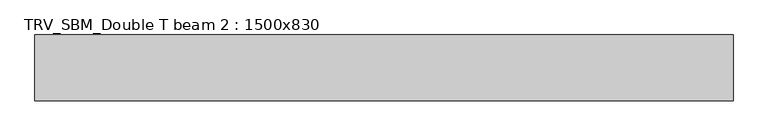
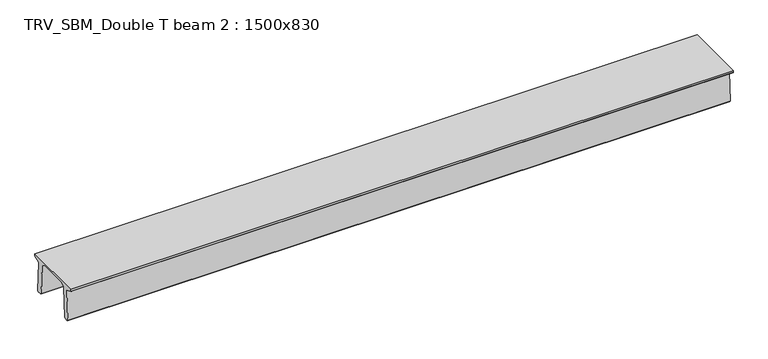
"""IFC4 building model written with IfcOpenShell, lengths in millimetres: beam geometry, TRV_SBM_Double T beam 2 : 1500x830."""

from ifc_helpers import new_model, si_unit, frame, origin, place, context, project, spatial, polyline, outline, extrude, source, transform, mapped, element, save


def trv_sbm_double_t_beam_2_1500x830_0f436922(model_context):
    return source(origin(), model_context, "Body", "SweptSolid", [
        extrude(outline(polyline([(337.4555014, 470.0), (-343.4555014, 470.0), (-456.5828437, 409.8491251), (-494.786332, -340.5206011), (-514.2657308, -360.0), (-604.2657308, -360.0), (-624.8277662, -339.4379646), (-586.9373878, 401.9654693), (-752.8511046, 468.9989621), (-753.0, 475.0), (-753.0, 520.0), (747.0, 520.0), (747.0, 475.0), (746.8511046, 468.9989621), (580.9373878, 401.9654693), (618.8277662, -339.4379646), (598.2657308, -360.0), (508.2657308, -360.0), (488.786332, -340.5206011), (450.5828437, 409.8491251), (337.4555014, 470.0)])), frame((-7965.5, 0.0, 0.0), z_axis=(1.0, 0.0, 0.0), x_axis=(0.0, 1.0, 0.0)), (0.0, 0.0, 1.0), 15931.0),
    ])


if __name__ == "__main__":
    model = new_model("IFC4")
    model_context = context("Model", 3, world=origin())
    ifc_project = project(units=[si_unit("LENGTHUNIT", "METRE", prefix="MILLI")], contexts=[model_context])
    site = spatial("IfcSite", under=ifc_project)
    building = spatial("IfcBuilding", under=site)
    placement = place(None, origin())
    trv_sbm_double_t_beam_2_1500x830_shape = trv_sbm_double_t_beam_2_1500x830_0f436922(model_context)
    element("IfcBeam", 1, ObjectType="TRV_SBM_Double T beam 2 : 1500x830", at=placement, inside=building, context=model_context, shape_type="MappedRepresentation", body=[
        mapped(trv_sbm_double_t_beam_2_1500x830_shape, transform((0.0, 0.0, 0.0), x_axis=(1.0, 0.0, 0.0), y_axis=(0.0, 1.0, 0.0), z_axis=(0.0, 0.0, 1.0))),
    ])
    save(model, "model.ifc")
